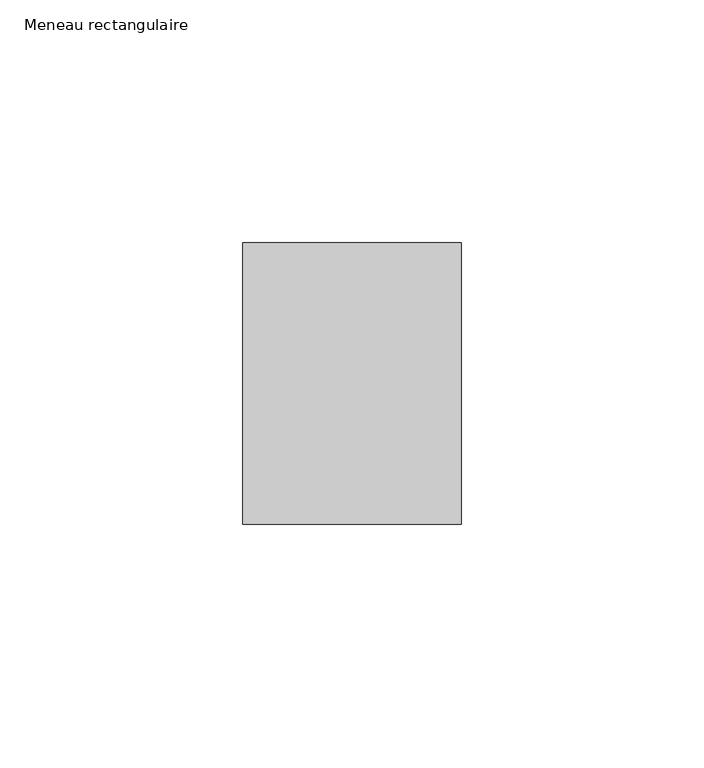
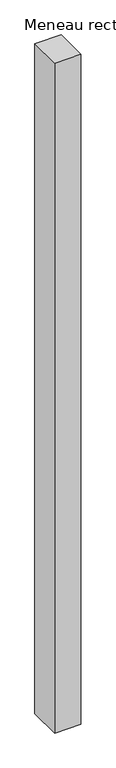
"""IFC4 building model written with IfcOpenShell, lengths in millimetres: member geometry, Meneau rectangulaire."""

from ifc_helpers import new_model, si_unit, frame, origin, place, context, project, spatial, polyline, outline, extrude, source, transform, mapped, element, save


def meneau_rectangulaire_1a4deb17(model_context):
    return source(origin(), model_context, "Body", "SweptSolid", [
        extrude(outline(polyline([(-45.0, 29.0), (0.0, 29.0), (0.0, -29.0), (-45.0, -29.0), (-45.0, 29.0)])), frame((0.0, 0.0, -1209.7499998), z_axis=(0.0, 0.0, 1.0), x_axis=(1.0, 0.0, 0.0)), (0.0, 0.0, 1.0), 1209.7499998),
    ])


if __name__ == "__main__":
    model = new_model("IFC4")
    model_context = context("Model", 3, world=origin())
    ifc_project = project(units=[si_unit("LENGTHUNIT", "METRE", prefix="MILLI")], contexts=[model_context])
    site = spatial("IfcSite", under=ifc_project)
    building = spatial("IfcBuilding", under=site)
    placement = place(None, origin())
    meneau_rectangulaire_shape = meneau_rectangulaire_1a4deb17(model_context)
    element("IfcMember", 1, ObjectType="Meneau rectangulaire", at=placement, inside=building, context=model_context, shape_type="MappedRepresentation", body=[
        mapped(meneau_rectangulaire_shape, transform((0.0, 0.0, 0.0), x_axis=(1.0, 0.0, 0.0), y_axis=(0.0, 1.0, 0.0), z_axis=(0.0, 0.0, 1.0))),
    ])
    save(model, "model.ifc")
